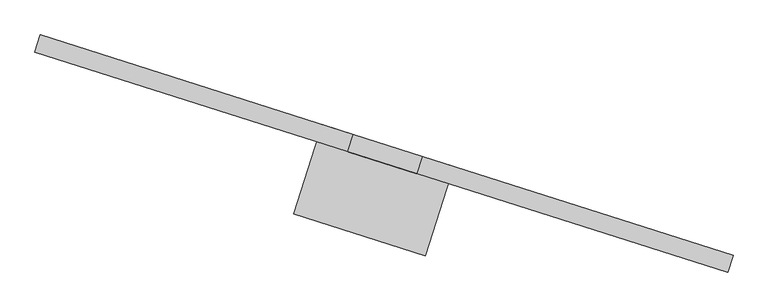
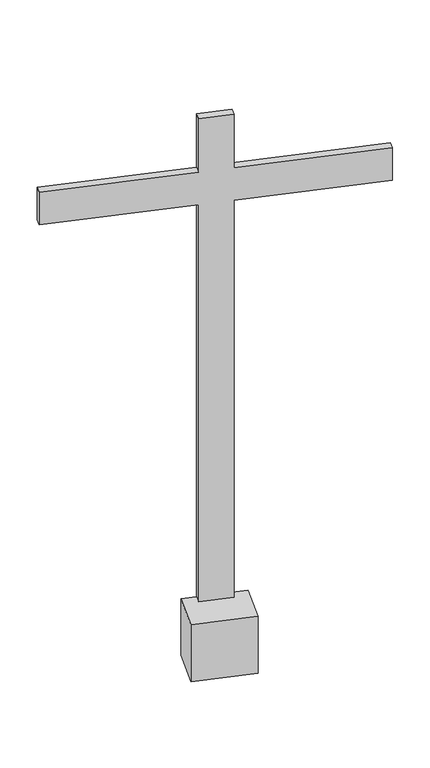
"""IFC4 building model written with IfcOpenShell, lengths in millimetres: furniture geometry."""

import ifcopenshell
import ifcopenshell.guid

model = None  # the IFC model being written
_history = None  # IfcOwnerHistory: only IFC2X3 demands one
_inside = {}  # id of a spatial element -> (the spatial element, [elements in it])
_under = {}  # id of a project, library or spatial element -> (it, [spatial elements below it])
_declared = {}  # id of a project -> (the project, [libraries it declares])
_typed = {}  # id of a type object -> (the type object, [elements of that type])
_made_of = {}  # id of a material, layer set ... -> (it, [elements and type objects made of it])


def new_model(schema):
    """Start an empty IFC model of exactly this schema.

    Asked for "IFC4X3", IfcOpenShell would pick the latest addendum, in which some entities
    have other attributes; the version numbers below select the first issue.
    IFC2X3 requires an IfcOwnerHistory on every rooted entity: one is made here for all.
    """
    global model, _history
    if schema == "IFC4X3":
        model = ifcopenshell.file(schema_version=(4, 3, 0, 0))
    else:
        model = ifcopenshell.file(schema=schema)
    _inside.clear()
    _under.clear()
    _declared.clear()
    _typed.clear()
    _made_of.clear()
    _history = None
    if model.schema == "IFC2X3":
        org = make("IfcOrganization", Name="unknown")
        user = make(
            "IfcPersonAndOrganization",
            ThePerson=make("IfcPerson", FamilyName="unknown"),
            TheOrganization=org,
        )
        app = make(
            "IfcApplication",
            ApplicationDeveloper=org,
            Version="unknown",
            ApplicationFullName="unknown",
            ApplicationIdentifier="unknown",
        )
        _history = make(
            "IfcOwnerHistory",
            OwningUser=user,
            OwningApplication=app,
            ChangeAction="ADDED",
            CreationDate=0,
        )
    return model


def make(cls, **values):
    """One entity of the class cls with the attributes given. An attribute that is None is left unset."""
    return model.create_entity(
        cls, **{name: value for name, value in values.items() if value is not None}
    )


def rooted(cls, **values):
    """An entity with a GlobalId (a new one), such as an element, a storey or a relation."""
    return make(cls, GlobalId=ifcopenshell.guid.new(), OwnerHistory=_history, **values)


def si_unit(unit_type, name, prefix=None):
    """IfcSIUnit, for example si_unit("LENGTHUNIT", "METRE", prefix="MILLI")."""
    return make("IfcSIUnit", UnitType=unit_type, Prefix=prefix, Name=name)


def assignment(units):
    """IfcUnitAssignment: the units of a project."""
    return None if units is None else make("IfcUnitAssignment", Units=units)


def point(xyz):
    """IfcCartesianPoint."""
    return None if xyz is None else make("IfcCartesianPoint", Coordinates=xyz)


def direction(xyz):
    """IfcDirection."""
    return None if xyz is None else make("IfcDirection", DirectionRatios=xyz)


def frame(location, z_axis=None, x_axis=None):
    """IfcAxis2Placement3D, a coordinate frame: its origin and axes. An axis left out is left unset."""
    return make(
        "IfcAxis2Placement3D",
        Location=point(location),
        Axis=direction(z_axis),
        RefDirection=direction(x_axis),
    )


def origin():
    """The frame at (0, 0, 0) with its axes left unset."""
    return frame((0.0, 0.0, 0.0))


def place(relative_to, where):
    """IfcLocalPlacement: puts the frame where relative to a parent placement (None: the world)."""
    return make(
        "IfcLocalPlacement", PlacementRelTo=relative_to, RelativePlacement=where
    )


def context(
    kind, dimensions, precision=None, world=None, true_north=None, identifier=None
):
    """IfcGeometricRepresentationContext, for example the 3D "Model" context."""
    return make(
        "IfcGeometricRepresentationContext",
        ContextIdentifier=identifier,
        ContextType=kind,
        CoordinateSpaceDimension=dimensions,
        Precision=precision,
        WorldCoordinateSystem=world,
        TrueNorth=true_north,
    )


def project(units=None, contexts=None):
    """IfcProject with its units and contexts."""
    return rooted(
        "IfcProject",
        Name="project",
        RepresentationContexts=contexts,
        UnitsInContext=assignment(units),
    )


def spatial(cls, under=None, at=None, **own):
    """A site, building, storey or space (cls), placed at a placement, below another one or the project."""
    s = rooted(cls, ObjectPlacement=at, **own)
    if under is not None:
        _under.setdefault(under.id(), (under, []))[1].append(s)
    return s


def faces_of(points, faces, orient=None, outer=None):
    """IfcFace entities. A face is a list of loops; a loop is a list of indices into points, from 0.

    orient and outer hold one flag for each loop. By default every Orientation is true, the
    first loop of a face is its IfcFaceOuterBound and the others are IfcFaceBound.
    """
    made = []
    for i, loops in enumerate(faces):
        bounds = []
        for j, loop in enumerate(loops):
            is_outer = j == 0 if outer is None else outer[i][j]
            bounds.append(
                make(
                    "IfcFaceOuterBound" if is_outer else "IfcFaceBound",
                    Bound=make("IfcPolyLoop", Polygon=[points[k] for k in loop]),
                    Orientation=True if orient is None else orient[i][j],
                )
            )
        made.append(make("IfcFace", Bounds=bounds))
    return made


def faceted_brep(points, faces, orient=None, outer=None, voids=None):
    """IfcFacetedBrep: a solid bounded by flat faces; with voids (closed shells), ...WithVoids."""
    shared = [point(p) for p in points]
    hull = make("IfcClosedShell", CfsFaces=faces_of(shared, faces, orient, outer))
    if voids is None:
        return make("IfcFacetedBrep", Outer=hull)
    return make(
        "IfcFacetedBrepWithVoids",
        Outer=hull,
        Voids=[
            make(cls, CfsFaces=faces_of(shared, fs, o, b)) for cls, fs, o, b in voids
        ],
    )


def shape(context_of_items, identifier, shape_type, items):
    """IfcShapeRepresentation: the items that make up one representation, for example the "Body"."""
    return make(
        "IfcShapeRepresentation",
        ContextOfItems=context_of_items,
        RepresentationIdentifier=identifier,
        RepresentationType=shape_type,
        Items=items,
    )


def source(mapping_origin, context_of_items, identifier, shape_type, items):
    """IfcRepresentationMap: a shape defined once, which mapped items show again and again."""
    return make(
        "IfcRepresentationMap",
        MappingOrigin=mapping_origin,
        MappedRepresentation=shape(context_of_items, identifier, shape_type, items),
    )


def transform(
    local_origin,
    x_axis=None,
    y_axis=None,
    z_axis=None,
    scale=None,
    scale2=None,
    scale3=None,
    uniform=True,
):
    """IfcCartesianTransformationOperator3D, or its non-uniform kind. x_axis, y_axis, z_axis: its Axis1, 2, 3."""
    if uniform:
        return make(
            "IfcCartesianTransformationOperator3D",
            Axis1=direction(x_axis),
            Axis2=direction(y_axis),
            LocalOrigin=point(local_origin),
            Scale=scale,
            Axis3=direction(z_axis),
        )
    return make(
        "IfcCartesianTransformationOperator3DnonUniform",
        Axis1=direction(x_axis),
        Axis2=direction(y_axis),
        LocalOrigin=point(local_origin),
        Scale=scale,
        Axis3=direction(z_axis),
        Scale2=scale2,
        Scale3=scale3,
    )


def mapped(mapping_source, mapping_target):
    """IfcMappedItem: shows the shape of a source again, moved by a transform."""
    return make(
        "IfcMappedItem", MappingSource=mapping_source, MappingTarget=mapping_target
    )


def made_of(thing, what):
    """Note that an element or type object is made of a material, layer set ...; save() writes the relation."""
    if what is not None:
        _made_of.setdefault(what.id(), (what, []))[1].append(thing)
    return thing


def element(
    cls,
    number,
    at=None,
    inside=None,
    cuts=None,
    type_object=None,
    material=None,
    context=None,
    identifier="Body",
    shape_type=None,
    held_by="IfcProductDefinitionShape",
    body=None,
    shapes=None,
    **own,
):
    """One element of the class cls, such as IfcWall. Its Tag is "e" and its number.

    at: its placement. inside: the storey or other place that contains it. cuts: it is an
    opening in that element (IfcRelVoidsElement). A single representation is given by context,
    identifier, shape_type and body (its items); several are given by shapes. held_by: the class
    of the entity that holds the representations. save() writes the other relations.
    """
    e = rooted(cls, Tag="e%d" % number, ObjectPlacement=at, **own)
    if body is not None:
        shapes = [shape(context, identifier, shape_type, body)]
    if shapes is not None:
        e.Representation = make(held_by, Representations=shapes)
    if inside is not None:
        _inside.setdefault(inside.id(), (inside, []))[1].append(e)
    if cuts is not None:
        rooted(
            "IfcRelVoidsElement", RelatingBuildingElement=cuts, RelatedOpeningElement=e
        )
    if type_object is not None:
        _typed.setdefault(type_object.id(), (type_object, []))[1].append(e)
    return made_of(e, material)


def aggregate(whole, parts):
    """IfcRelAggregates: a whole, such as a stair, and the parts it consists of."""
    return rooted("IfcRelAggregates", RelatingObject=whole, RelatedObjects=parts)


def save(model, path):
    """Write the relations noted so far, then the file.

    IfcRelAggregates (storeys below a building ...), IfcRelContainedInSpatialStructure (elements
    in a storey), IfcRelDefinesByType, IfcRelAssociatesMaterial and IfcRelDeclares: one each for
    every whole, place, type object, material and project.
    """
    for whole, parts in _under.values():
        aggregate(whole, parts)
    for where, things in _inside.values():
        rooted(
            "IfcRelContainedInSpatialStructure",
            RelatedElements=things,
            RelatingStructure=where,
        )
    for kind, things in _typed.values():
        rooted("IfcRelDefinesByType", RelatedObjects=things, RelatingType=kind)
    for what, things in _made_of.values():
        rooted("IfcRelAssociatesMaterial", RelatedObjects=things, RelatingMaterial=what)
    for by, libraries in _declared.values():
        rooted("IfcRelDeclares", RelatingContext=by, RelatedDefinitions=libraries)
    model.write(path)


def furniture_efafa9f0(model_context):
    return source(origin(), model_context, "Body", "Brep", [
        faceted_brep([(-83382.9166901, -10099.8316483, 1703.0), (-83382.9166901, -10099.8316483, -493.0), (-83226.7348543, -10149.6112655, -493.0), (-83226.7348543, -10149.6112655, 1703.0), (-82525.917485, -10372.9818017, 1703.0), (-82525.917485, -10372.9818017, 1883.0), (-83226.7348543, -10149.6112655, 1883.0), (-83226.7348543, -10149.6112655, 2178.0), (-83382.9166901, -10099.8316483, 2178.0), (-83382.9166901, -10099.8316483, 1883.0), (-84088.4687185, -9874.9520409, 1883.0), (-84088.4687185, -9874.9520409, 1703.0), (-83370.5412116, -10061.0040104, 1703.0), (-84076.09324, -9836.1244029, 1703.0), (-84076.09324, -9836.1244029, 1883.0), (-83370.5412116, -10061.0040104, 1883.0), (-83370.5412116, -10061.0040104, 2178.0), (-83214.3593758, -10110.7836276, 2178.0), (-83214.3593758, -10110.7836276, 1883.0), (-82513.5420065, -10334.1541638, 1883.0), (-82513.5420065, -10334.1541638, 1703.0), (-83214.3593758, -10110.7836276, 1703.0), (-83214.3593758, -10110.7836276, -493.0), (-83143.4385306, -10133.388129, -493.0), (-83143.4385306, -10133.388129, -807.2176473), (-83440.5506, -10038.6900163, -807.2176473), (-83440.5506, -10038.6900163, -493.0), (-83370.5412116, -10061.0040104, -493.0), (-83504.8205635, -10240.3348149, -493.0), (-83207.7084941, -10335.0329276, -493.0), (-83207.7084941, -10335.0329276, -807.2176473), (-83504.8205635, -10240.3348149, -807.2176473)], [[[0, 1, 2, 3, 4, 5, 6, 7, 8, 9, 10, 11]], [[12, 13, 14, 15, 16, 17, 18, 19, 20, 21, 22, 23, 24, 25, 26, 27]], [[0, 11, 13, 12]], [[11, 10, 14, 13]], [[10, 9, 15, 14]], [[9, 8, 16, 15]], [[8, 7, 17, 16]], [[7, 6, 18, 17]], [[6, 5, 19, 18]], [[5, 4, 20, 19]], [[4, 3, 21, 20]], [[3, 2, 22, 21]], [[23, 22, 2, 1, 27, 26, 28, 29]], [[24, 23, 29, 30]], [[25, 24, 30, 31]], [[28, 26, 25, 31]], [[1, 0, 12, 27]], [[28, 31, 30, 29]]]),
    ])


if __name__ == "__main__":
    model = new_model("IFC4")
    model_context = context("Model", 3, world=origin())
    ifc_project = project(units=[si_unit("LENGTHUNIT", "METRE", prefix="MILLI")], contexts=[model_context])
    site = spatial("IfcSite", under=ifc_project)
    building = spatial("IfcBuilding", under=site)
    placement = place(None, origin())
    furniture_shape = furniture_efafa9f0(model_context)
    element("IfcFurniture", 1, at=placement, inside=building, context=model_context, shape_type="MappedRepresentation", body=[
        mapped(furniture_shape, transform((0.0, 0.0, 0.0), x_axis=(1.0, 0.0, 0.0), y_axis=(0.0, 1.0, 0.0), z_axis=(0.0, 0.0, 1.0))),
    ])
    save(model, "model.ifc")
